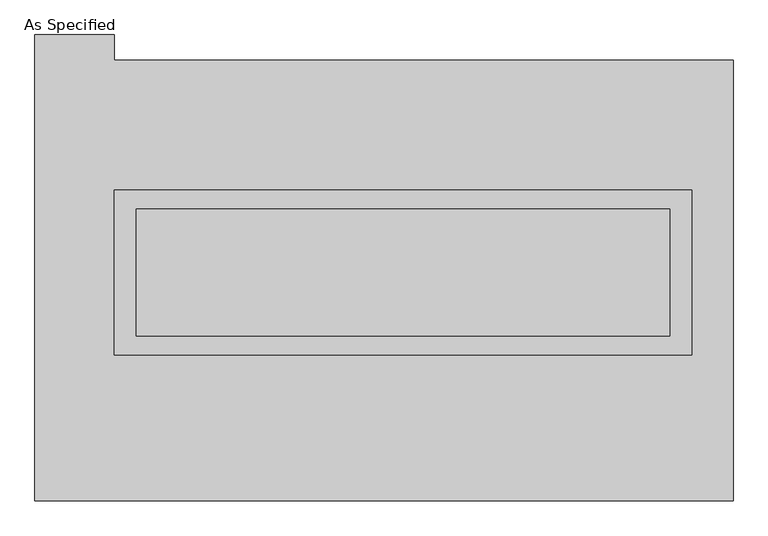
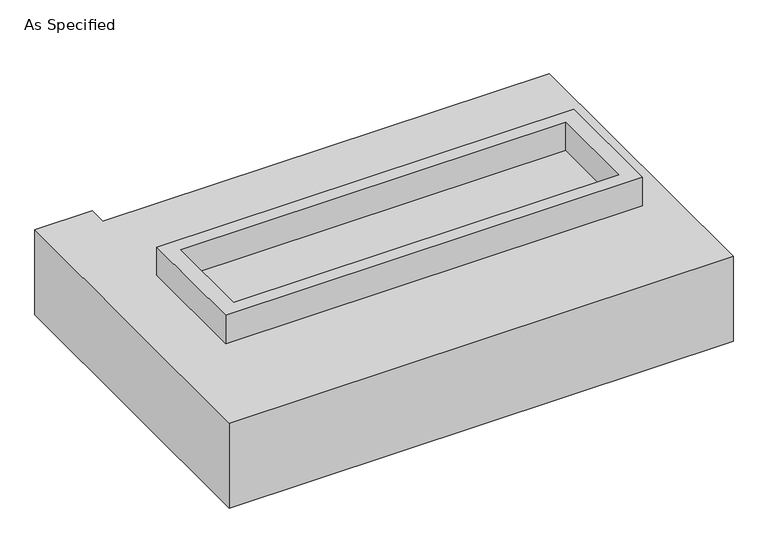
"""IFC4 building model written with IfcOpenShell, lengths in millimetres: proxy geometry, As Specified."""

from ifc_helpers import new_model, si_unit, frame, origin, place, context, project, spatial, polyline, outline, extrude, faceted_brep, source, transform, mapped, element, save


def as_specified_4515ac83(model_context):
    return source(origin(), model_context, "Body", "SolidModel", [
        extrude(outline(polyline([(1155.7, 361.95), (1155.7, -298.45), (-1155.7, -298.45), (-1155.7, 361.95), (1155.7, 361.95)]), holes=[polyline([(1066.8, 285.75), (-1066.8, 285.75), (-1066.8, -222.25), (1066.8, -222.25), (1066.8, 285.75)])]), frame((0.0, 0.0, -25.4), z_axis=(0.0, 0.0, 1.0), x_axis=(1.0, 0.0, 0.0)), (0.0, 0.0, 1.0), 165.1),
        extrude(outline(polyline([(1066.8, 285.75), (1066.8, -222.25), (-1066.8, -222.25), (-1066.8, 285.75), (1066.8, 285.75)])), frame((0.0, 0.0, -30.3609375), z_axis=(0.0, 0.0, 1.0), x_axis=(1.0, 0.0, 0.0)), (0.0, 0.0, 1.0), 4.9609375),
        faceted_brep([(1320.8, -882.65, -523.875), (-1473.2, -882.65, -523.875), (-1473.2, 984.25, -523.875), (-1155.7, 984.25, -523.875), (-1155.7, 882.65, -523.875), (1320.8, 882.65, -523.875), (-1473.2, -882.65, -25.4), (1320.8, -882.65, -25.4), (1320.8, 882.65, -25.4), (-1155.7, 882.65, -25.4), (-1155.7, 984.25, -25.4), (-1473.2, 984.25, -25.4), (-1155.7, -298.45, -25.4), (-1155.7, 361.95, -25.4), (1155.7, 361.95, -25.4), (1155.7, -298.45, -25.4), (1155.7, 361.95, -498.475), (-1155.7, 361.95, -498.475), (-1155.7, -298.45, -498.475), (1155.7, -298.45, -498.475)], [[[0, 1, 2, 3, 4, 5]], [[6, 7, 8, 9, 10, 11], [12, 13, 14, 15]], [[8, 5, 4, 9]], [[2, 1, 6, 11]], [[5, 8, 7, 0]], [[16, 17, 18, 19]], [[18, 17, 13, 12]], [[17, 16, 14, 13]], [[16, 19, 15, 14]], [[12, 15, 19, 18]], [[1, 0, 7, 6]], [[4, 3, 10, 9]], [[3, 2, 11, 10]]]),
    ])


if __name__ == "__main__":
    model = new_model("IFC4")
    model_context = context("Model", 3, world=origin())
    ifc_project = project(units=[si_unit("LENGTHUNIT", "METRE", prefix="MILLI")], contexts=[model_context])
    site = spatial("IfcSite", under=ifc_project)
    building = spatial("IfcBuilding", under=site)
    placement = place(None, origin())
    as_specified_shape = as_specified_4515ac83(model_context)
    element("IfcBuildingElementProxy", 1, Name="As Specified", ObjectType="As Specified", at=placement, inside=building, context=model_context, shape_type="MappedRepresentation", body=[
        mapped(as_specified_shape, transform((0.0, 0.0, 0.0), x_axis=(1.0, 0.0, 0.0), y_axis=(0.0, 1.0, 0.0), z_axis=(0.0, 0.0, 1.0))),
    ])
    save(model, "model.ifc")
